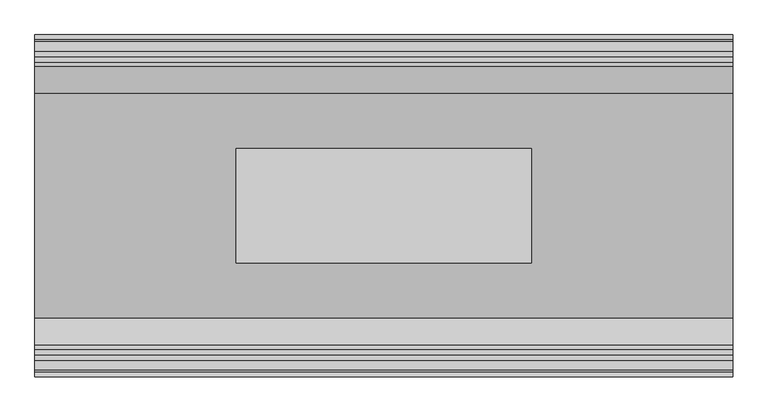
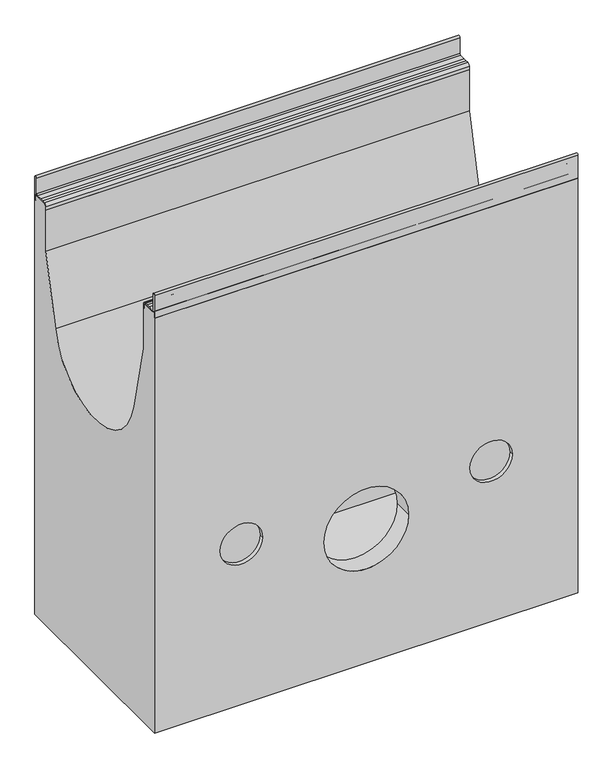
"""IFC4 building model written with IfcOpenShell, lengths in millimetres: proxy geometry."""

import ifcopenshell
import ifcopenshell.guid

model = None  # the IFC model being written
_history = None  # IfcOwnerHistory: only IFC2X3 demands one
_inside = {}  # id of a spatial element -> (the spatial element, [elements in it])
_under = {}  # id of a project, library or spatial element -> (it, [spatial elements below it])
_declared = {}  # id of a project -> (the project, [libraries it declares])
_typed = {}  # id of a type object -> (the type object, [elements of that type])
_made_of = {}  # id of a material, layer set ... -> (it, [elements and type objects made of it])


def new_model(schema):
    """Start an empty IFC model of exactly this schema.

    Asked for "IFC4X3", IfcOpenShell would pick the latest addendum, in which some entities
    have other attributes; the version numbers below select the first issue.
    IFC2X3 requires an IfcOwnerHistory on every rooted entity: one is made here for all.
    """
    global model, _history
    if schema == "IFC4X3":
        model = ifcopenshell.file(schema_version=(4, 3, 0, 0))
    else:
        model = ifcopenshell.file(schema=schema)
    _inside.clear()
    _under.clear()
    _declared.clear()
    _typed.clear()
    _made_of.clear()
    _history = None
    if model.schema == "IFC2X3":
        org = make("IfcOrganization", Name="unknown")
        user = make(
            "IfcPersonAndOrganization",
            ThePerson=make("IfcPerson", FamilyName="unknown"),
            TheOrganization=org,
        )
        app = make(
            "IfcApplication",
            ApplicationDeveloper=org,
            Version="unknown",
            ApplicationFullName="unknown",
            ApplicationIdentifier="unknown",
        )
        _history = make(
            "IfcOwnerHistory",
            OwningUser=user,
            OwningApplication=app,
            ChangeAction="ADDED",
            CreationDate=0,
        )
    return model


def make(cls, **values):
    """One entity of the class cls with the attributes given. An attribute that is None is left unset."""
    return model.create_entity(
        cls, **{name: value for name, value in values.items() if value is not None}
    )


def rooted(cls, **values):
    """An entity with a GlobalId (a new one), such as an element, a storey or a relation."""
    return make(cls, GlobalId=ifcopenshell.guid.new(), OwnerHistory=_history, **values)


def si_unit(unit_type, name, prefix=None):
    """IfcSIUnit, for example si_unit("LENGTHUNIT", "METRE", prefix="MILLI")."""
    return make("IfcSIUnit", UnitType=unit_type, Prefix=prefix, Name=name)


def assignment(units):
    """IfcUnitAssignment: the units of a project."""
    return None if units is None else make("IfcUnitAssignment", Units=units)


def point(xyz):
    """IfcCartesianPoint."""
    return None if xyz is None else make("IfcCartesianPoint", Coordinates=xyz)


def direction(xyz):
    """IfcDirection."""
    return None if xyz is None else make("IfcDirection", DirectionRatios=xyz)


def frame(location, z_axis=None, x_axis=None):
    """IfcAxis2Placement3D, a coordinate frame: its origin and axes. An axis left out is left unset."""
    return make(
        "IfcAxis2Placement3D",
        Location=point(location),
        Axis=direction(z_axis),
        RefDirection=direction(x_axis),
    )


def frame_2d(location, x_axis=None):
    """IfcAxis2Placement2D, a coordinate frame in the plane: its origin and x axis."""
    return make(
        "IfcAxis2Placement2D", Location=point(location), RefDirection=direction(x_axis)
    )


def origin():
    """The frame at (0, 0, 0) with its axes left unset."""
    return frame((0.0, 0.0, 0.0))


def place(relative_to, where):
    """IfcLocalPlacement: puts the frame where relative to a parent placement (None: the world)."""
    return make(
        "IfcLocalPlacement", PlacementRelTo=relative_to, RelativePlacement=where
    )


def context(
    kind, dimensions, precision=None, world=None, true_north=None, identifier=None
):
    """IfcGeometricRepresentationContext, for example the 3D "Model" context."""
    return make(
        "IfcGeometricRepresentationContext",
        ContextIdentifier=identifier,
        ContextType=kind,
        CoordinateSpaceDimension=dimensions,
        Precision=precision,
        WorldCoordinateSystem=world,
        TrueNorth=true_north,
    )


def project(units=None, contexts=None):
    """IfcProject with its units and contexts."""
    return rooted(
        "IfcProject",
        Name="project",
        RepresentationContexts=contexts,
        UnitsInContext=assignment(units),
    )


def spatial(cls, under=None, at=None, **own):
    """A site, building, storey or space (cls), placed at a placement, below another one or the project."""
    s = rooted(cls, ObjectPlacement=at, **own)
    if under is not None:
        _under.setdefault(under.id(), (under, []))[1].append(s)
    return s


def polyline(points):
    """IfcPolyline through the points."""
    return make("IfcPolyline", Points=[point(p) for p in points])


def circle_curve(where, radius):
    """IfcCircle in the frame where."""
    return make("IfcCircle", Position=where, Radius=radius)


def trimmed(basis, trim1, trim2, sense, master):
    """IfcTrimmedCurve: the piece of a basis curve between two trims."""
    return make(
        "IfcTrimmedCurve",
        BasisCurve=basis,
        Trim1=trim1,
        Trim2=trim2,
        SenseAgreement=sense,
        MasterRepresentation=master,
    )


def segment(curve, same_sense, transition):
    """IfcCompositeCurveSegment."""
    return make(
        "IfcCompositeCurveSegment",
        Transition=transition,
        SameSense=same_sense,
        ParentCurve=curve,
    )


def composite_curve(segments, self_intersect=None):
    """IfcCompositeCurve: segments joined end to end."""
    return make("IfcCompositeCurve", Segments=segments, SelfIntersect=self_intersect)


def outline(outer, holes=None, kind="AREA"):
    """IfcArbitraryClosedProfileDef: a profile drawn as a closed curve; with holes, ...WithVoids."""
    if holes is None:
        return make("IfcArbitraryClosedProfileDef", ProfileType=kind, OuterCurve=outer)
    return make(
        "IfcArbitraryProfileDefWithVoids",
        ProfileType=kind,
        OuterCurve=outer,
        InnerCurves=holes,
    )


def extrude(swept, where, along, depth):
    """IfcExtrudedAreaSolid: the profile swept, set in the frame where, extruded along a direction by depth."""
    return make(
        "IfcExtrudedAreaSolid",
        SweptArea=swept,
        Position=where,
        ExtrudedDirection=direction(along),
        Depth=depth,
    )


def shape(context_of_items, identifier, shape_type, items):
    """IfcShapeRepresentation: the items that make up one representation, for example the "Body"."""
    return make(
        "IfcShapeRepresentation",
        ContextOfItems=context_of_items,
        RepresentationIdentifier=identifier,
        RepresentationType=shape_type,
        Items=items,
    )


def source(mapping_origin, context_of_items, identifier, shape_type, items):
    """IfcRepresentationMap: a shape defined once, which mapped items show again and again."""
    return make(
        "IfcRepresentationMap",
        MappingOrigin=mapping_origin,
        MappedRepresentation=shape(context_of_items, identifier, shape_type, items),
    )


def transform(
    local_origin,
    x_axis=None,
    y_axis=None,
    z_axis=None,
    scale=None,
    scale2=None,
    scale3=None,
    uniform=True,
):
    """IfcCartesianTransformationOperator3D, or its non-uniform kind. x_axis, y_axis, z_axis: its Axis1, 2, 3."""
    if uniform:
        return make(
            "IfcCartesianTransformationOperator3D",
            Axis1=direction(x_axis),
            Axis2=direction(y_axis),
            LocalOrigin=point(local_origin),
            Scale=scale,
            Axis3=direction(z_axis),
        )
    return make(
        "IfcCartesianTransformationOperator3DnonUniform",
        Axis1=direction(x_axis),
        Axis2=direction(y_axis),
        LocalOrigin=point(local_origin),
        Scale=scale,
        Axis3=direction(z_axis),
        Scale2=scale2,
        Scale3=scale3,
    )


def mapped(mapping_source, mapping_target):
    """IfcMappedItem: shows the shape of a source again, moved by a transform."""
    return make(
        "IfcMappedItem", MappingSource=mapping_source, MappingTarget=mapping_target
    )


def made_of(thing, what):
    """Note that an element or type object is made of a material, layer set ...; save() writes the relation."""
    if what is not None:
        _made_of.setdefault(what.id(), (what, []))[1].append(thing)
    return thing


def element(
    cls,
    number,
    at=None,
    inside=None,
    cuts=None,
    type_object=None,
    material=None,
    context=None,
    identifier="Body",
    shape_type=None,
    held_by="IfcProductDefinitionShape",
    body=None,
    shapes=None,
    **own,
):
    """One element of the class cls, such as IfcWall. Its Tag is "e" and its number.

    at: its placement. inside: the storey or other place that contains it. cuts: it is an
    opening in that element (IfcRelVoidsElement). A single representation is given by context,
    identifier, shape_type and body (its items); several are given by shapes. held_by: the class
    of the entity that holds the representations. save() writes the other relations.
    """
    e = rooted(cls, Tag="e%d" % number, ObjectPlacement=at, **own)
    if body is not None:
        shapes = [shape(context, identifier, shape_type, body)]
    if shapes is not None:
        e.Representation = make(held_by, Representations=shapes)
    if inside is not None:
        _inside.setdefault(inside.id(), (inside, []))[1].append(e)
    if cuts is not None:
        rooted(
            "IfcRelVoidsElement", RelatingBuildingElement=cuts, RelatedOpeningElement=e
        )
    if type_object is not None:
        _typed.setdefault(type_object.id(), (type_object, []))[1].append(e)
    return made_of(e, material)


def aggregate(whole, parts):
    """IfcRelAggregates: a whole, such as a stair, and the parts it consists of."""
    return rooted("IfcRelAggregates", RelatingObject=whole, RelatedObjects=parts)


def save(model, path):
    """Write the relations noted so far, then the file.

    IfcRelAggregates (storeys below a building ...), IfcRelContainedInSpatialStructure (elements
    in a storey), IfcRelDefinesByType, IfcRelAssociatesMaterial and IfcRelDeclares: one each for
    every whole, place, type object, material and project.
    """
    for whole, parts in _under.values():
        aggregate(whole, parts)
    for where, things in _inside.values():
        rooted(
            "IfcRelContainedInSpatialStructure",
            RelatedElements=things,
            RelatingStructure=where,
        )
    for kind, things in _typed.values():
        rooted("IfcRelDefinesByType", RelatedObjects=things, RelatingType=kind)
    for what, things in _made_of.values():
        rooted("IfcRelAssociatesMaterial", RelatedObjects=things, RelatingMaterial=what)
    for by, libraries in _declared.values():
        rooted("IfcRelDeclares", RelatingContext=by, RelatedDefinitions=libraries)
    model.write(path)


def plane_surface(at):
    """IfcPlane: the flat surface through the origin of the frame at, square to its z axis."""
    return make("IfcPlane", Position=at)


def cylinder_surface(at, radius):
    """IfcCylindricalSurface: all points at the distance radius from the z axis of the frame at."""
    return make("IfcCylindricalSurface", Position=at, Radius=radius)


def revolved_surface(curve, axis_point, axis_direction):
    """IfcSurfaceOfRevolution: the curve turned about the line through axis_point along axis_direction."""
    return make(
        "IfcSurfaceOfRevolution",
        SweptCurve=make("IfcArbitraryOpenProfileDef", ProfileType="CURVE", Curve=curve),
        AxisPosition=make("IfcAxis1Placement", Location=point(axis_point), Axis=direction(axis_direction)),
    )


def advanced_brep(points, edges, surfaces, faces):
    """IfcAdvancedBrep: a solid bounded by faces that lie on surfaces and meet in shared edges.

    An edge is (start, end): straight between two places in points (the first is 0);
    or (start, end, curve); or (start, end, curve, False) where it runs against its curve.
    A face is (place in surfaces, loops), or (place, loops, False) where it looks against
    its surface's normal. A loop lists edges by number (the first is 1), with a minus sign
    where the edge is run from its end to its start. The first loop is the outer one.
    """
    corners = [point(p) for p in points]
    vertices = [make("IfcVertexPoint", VertexGeometry=c) for c in corners]
    made = []
    for start, end, *more in edges:
        made.append(
            make(
                "IfcEdgeCurve",
                EdgeStart=vertices[start],
                EdgeEnd=vertices[end],
                EdgeGeometry=more[0] if more else make("IfcPolyline", Points=[corners[start], corners[end]]),
                SameSense=more[1] if len(more) > 1 else True,
            )
        )
    hull = []
    for where, loops, *sense in faces:
        bounds = []
        for j, loop in enumerate(loops):
            ring = [make("IfcOrientedEdge", EdgeElement=made[abs(k) - 1], Orientation=k > 0) for k in loop]
            bounds.append(
                make(
                    "IfcFaceOuterBound" if j == 0 else "IfcFaceBound",
                    Bound=make("IfcEdgeLoop", EdgeList=ring),
                    Orientation=True,
                )
            )
        hull.append(make("IfcAdvancedFace", Bounds=bounds, FaceSurface=surfaces[where], SameSense=sense[0] if sense else True))
    return make("IfcAdvancedBrep", Outer=make("IfcClosedShell", CfsFaces=hull))


def generic_models_2dc7a62d(model_context):
    return source(origin(), model_context, "Body", "SolidModel", [
        advanced_brep(
        [(500.0, 245.0, -1095.0), (500.0, 245.0, -60.0409124), (500.0, 241.9621547, -60.0409124), (500.0, 241.9621547, -45.4121775), (500.0, 240.5838153, -45.4121775), (500.0, 235.5826794, -48.0378453), (500.0, 206.0756907, -48.0378453), (500.0, 202.9900031, -51.1235329), (500.0, 202.9900031, -60.011934), (500.0, 200.0, -60.011934), (500.0, 200.0, -162.0), (500.0, 160.7805127, -332.075959), (500.0, -160.7805127, -332.075959), (500.0, -200.0, -162.0), (500.0, -200.0, -60.011934), (500.0, -202.9900031, -60.011934), (500.0, -202.9900031, -51.1235329), (500.0, -206.0756907, -48.0378453), (500.0, -235.5826794, -48.0378453), (500.0, -240.5838153, -45.4121775), (500.0, -241.9621547, -45.4121775), (500.0, -241.9621547, -60.0409124), (500.0, -245.0, -60.0409124), (500.0, -245.0, -1095.0), (-500.0, 245.0, -1095.0), (-500.0, -245.0, -1095.0), (-500.0, -245.0, -60.0409124), (-500.0, -241.9621547, -60.0409124), (-500.0, -241.9621547, -45.4121775), (-500.0, -240.5838153, -45.4121775), (-500.0, -235.5826794, -48.0378453), (-500.0, -206.0756907, -48.0378453), (-500.0, -202.9900031, -51.1235329), (-500.0, -202.9900031, -60.011934), (-500.0, -200.0, -60.011934), (-500.0, -200.0, -162.0), (-500.0, -160.7805127, -332.075959), (-500.0, 160.7805127, -332.075959), (-500.0, 200.0, -162.0), (-500.0, 200.0, -60.011934), (-500.0, 202.9900031, -60.011934), (-500.0, 202.9900031, -51.1235329), (-500.0, 206.0756907, -48.0378453), (-500.0, 235.5826794, -48.0378453), (-500.0, 240.5838153, -45.4121775), (-500.0, 241.9621547, -45.4121775), (-500.0, 241.9621547, -60.0409124), (-500.0, 245.0, -60.0409124), (245.0, 245.0, -695.0), (345.0, 245.0, -695.0), (-245.0, 245.0, -695.0), (-345.0, 245.0, -695.0), (-100.0, -245.0, -760.0), (100.0, -245.0, -760.0), (100.0, -200.0, -760.0), (-100.0, -200.0, -760.0), (-212.5, 82.5, -437.8941916), (212.5, 82.5, -437.8941916), (212.5, -82.5, -437.8941916), (-212.5, -82.5, -437.8941916), (212.5, 82.5, -590.5698316), (-212.5, 82.5, -590.5698316), (-212.5, -82.5, -590.5698316), (212.5, -82.5, -590.5698316), (345.0, -245.0, -695.0), (245.0, -245.0, -695.0), (-345.0, -245.0, -695.0), (-245.0, -245.0, -695.0), (478.0, 200.0, -1055.0), (-478.0, 200.0, -1055.0), (-478.0, -200.0, -1055.0), (478.0, -200.0, -1055.0), (478.0, 200.0, -590.5698316), (478.0, -200.0, -590.5698316), (-478.0, -200.0, -590.5698316), (-478.0, 200.0, -590.5698316), (245.0, -235.0, -695.0), (345.0, -235.0, -695.0), (-245.0, -235.0, -695.0), (-345.0, -235.0, -695.0), (245.0, 235.0, -695.0), (345.0, 235.0, -695.0), (-245.0, 235.0, -695.0), (-345.0, 235.0, -695.0)],
        [
            (0, 1),
            (1, 2),
            (2, 3),
            (3, 4),
            (4, 5, circle_curve(frame((500.0, 235.5826794, -41.9621547), z_axis=(-1.0, 0.0, 0.0), x_axis=(0.0, 1.0, 0.0)), 6.0756907)),
            (5, 6),
            (6, 7, circle_curve(frame((500.0, 206.0756907, -51.1235329), z_axis=(1.0, 0.0, 0.0), x_axis=(0.0, 1.0, 0.0)), 3.0856876)),
            (7, 8),
            (8, 9),
            (9, 10),
            (10, 11),
            (11, 12, circle_curve(frame((500.0, 0.0, -295.0), z_axis=(-1.0, 0.0, 0.0), x_axis=(0.0, 1.0, 0.0)), 165.0)),
            (12, 13),
            (13, 14),
            (14, 15),
            (15, 16),
            (16, 17, circle_curve(frame((500.0, -206.0756907, -51.1235329), z_axis=(1.0, 0.0, 0.0), x_axis=(0.0, 1.0, 0.0)), 3.0856876)),
            (17, 18),
            (18, 19, circle_curve(frame((500.0, -235.5826794, -41.9621547), z_axis=(-1.0, 0.0, 0.0), x_axis=(0.0, 1.0, 0.0)), 6.0756907)),
            (19, 20),
            (20, 21),
            (21, 22),
            (22, 23),
            (23, 0),
            (24, 25),
            (25, 26),
            (26, 27),
            (27, 28),
            (28, 29),
            (29, 30, circle_curve(frame((-500.0, -235.5826794, -41.9621547), z_axis=(1.0, 0.0, 0.0), x_axis=(0.0, 1.0, 0.0)), 6.0756907)),
            (30, 31),
            (31, 32, circle_curve(frame((-500.0, -206.0756907, -51.1235329), z_axis=(-1.0, 0.0, 0.0), x_axis=(0.0, 1.0, 0.0)), 3.0856876)),
            (32, 33),
            (33, 34),
            (34, 35),
            (35, 36),
            (36, 37, circle_curve(frame((-500.0, 0.0, -295.0), z_axis=(1.0, 0.0, 0.0), x_axis=(0.0, 1.0, 0.0)), 165.0)),
            (37, 38),
            (38, 39),
            (39, 40),
            (40, 41),
            (41, 42, circle_curve(frame((-500.0, 206.0756907, -51.1235329), z_axis=(-1.0, 0.0, 0.0), x_axis=(0.0, 1.0, 0.0)), 3.0856876)),
            (42, 43),
            (43, 44, circle_curve(frame((-500.0, 235.5826794, -41.9621547), z_axis=(1.0, 0.0, 0.0), x_axis=(0.0, 1.0, 0.0)), 6.0756907)),
            (44, 45),
            (45, 46),
            (46, 47),
            (47, 24),
            (0, 24),
            (47, 1),
            (48, 49, circle_curve(frame((295.0, 245.0, -695.0), z_axis=(0.0, -1.0, 0.0), x_axis=(1.0, 0.0, 0.0)), 50.0)),
            (49, 48, circle_curve(frame((295.0, 245.0, -695.0), z_axis=(0.0, -1.0, 0.0), x_axis=(1.0, 0.0, 0.0)), 50.0)),
            (50, 51, circle_curve(frame((-295.0, 245.0, -695.0), z_axis=(0.0, -1.0, 0.0), x_axis=(-1.0, 0.0, 0.0)), 50.0)),
            (51, 50, circle_curve(frame((-295.0, 245.0, -695.0), z_axis=(0.0, -1.0, 0.0), x_axis=(-1.0, 0.0, 0.0)), 50.0)),
            (9, 39),
            (38, 10),
            (23, 25),
            (13, 35),
            (34, 14),
            (52, 53, circle_curve(frame((0.0, -245.0, -760.0), z_axis=(0.0, -1.0, 0.0), x_axis=(1.0, 0.0, 0.0)), 100.0)),
            (53, 54),
            (54, 55, circle_curve(frame((0.0, -200.0, -760.0), z_axis=(0.0, 1.0, 0.0), x_axis=(1.0, 0.0, 0.0)), 100.0)),
            (55, 52),
            (53, 52, circle_curve(frame((0.0, -245.0, -760.0), z_axis=(0.0, -1.0, 0.0), x_axis=(1.0, 0.0, 0.0)), 100.0)),
            (55, 54, circle_curve(frame((0.0, -200.0, -760.0), z_axis=(0.0, 1.0, 0.0), x_axis=(1.0, 0.0, 0.0)), 100.0)),
            (46, 2),
            (45, 3),
            (44, 4),
            (43, 5),
            (42, 6),
            (41, 7),
            (40, 8),
            (11, 37),
            (36, 12),
            (56, 57),
            (57, 58, circle_curve(frame((212.5, 0.0, -295.0), z_axis=(-1.0, 0.0, 0.0), x_axis=(0.0, 1.0, 0.0)), 165.0)),
            (58, 59),
            (59, 56, circle_curve(frame((-212.5, 0.0, -295.0), z_axis=(1.0, 0.0, 0.0), x_axis=(0.0, 1.0, 0.0)), 165.0)),
            (33, 15),
            (32, 16),
            (31, 17),
            (30, 18),
            (29, 19),
            (28, 20),
            (27, 21),
            (60, 57),
            (56, 61),
            (61, 60),
            (59, 62),
            (62, 61),
            (58, 63),
            (63, 62),
            (60, 63),
            (26, 22),
            (64, 65, circle_curve(frame((295.0, -245.0, -695.0), z_axis=(0.0, 1.0, 0.0), x_axis=(1.0, 0.0, 0.0)), 50.0)),
            (65, 64, circle_curve(frame((295.0, -245.0, -695.0), z_axis=(0.0, 1.0, 0.0), x_axis=(1.0, 0.0, 0.0)), 50.0)),
            (66, 67, circle_curve(frame((-295.0, -245.0, -695.0), z_axis=(0.0, 1.0, 0.0), x_axis=(-1.0, 0.0, 0.0)), 50.0)),
            (67, 66, circle_curve(frame((-295.0, -245.0, -695.0), z_axis=(0.0, 1.0, 0.0), x_axis=(-1.0, 0.0, 0.0)), 50.0)),
            (68, 69),
            (69, 70),
            (70, 71),
            (71, 68),
            (72, 73),
            (73, 74),
            (74, 75),
            (75, 72),
            (68, 72),
            (75, 69),
            (74, 70),
            (73, 71),
            (76, 77, circle_curve(frame((295.0, -235.0, -695.0), z_axis=(0.0, -1.0, 0.0), x_axis=(1.0, 0.0, 0.0)), 50.0)),
            (77, 76, circle_curve(frame((295.0, -235.0, -695.0), z_axis=(0.0, -1.0, 0.0), x_axis=(1.0, 0.0, 0.0)), 50.0)),
            (78, 79, circle_curve(frame((-295.0, -235.0, -695.0), z_axis=(0.0, -1.0, 0.0), x_axis=(-1.0, 0.0, 0.0)), 50.0)),
            (79, 78, circle_curve(frame((-295.0, -235.0, -695.0), z_axis=(0.0, -1.0, 0.0), x_axis=(-1.0, 0.0, 0.0)), 50.0)),
            (76, 65),
            (64, 77),
            (78, 67),
            (66, 79),
            (80, 81, circle_curve(frame((295.0, 235.0, -695.0), z_axis=(0.0, 1.0, 0.0), x_axis=(1.0, 0.0, 0.0)), 50.0)),
            (81, 80, circle_curve(frame((295.0, 235.0, -695.0), z_axis=(0.0, 1.0, 0.0), x_axis=(1.0, 0.0, 0.0)), 50.0)),
            (82, 83, circle_curve(frame((-295.0, 235.0, -695.0), z_axis=(0.0, 1.0, 0.0), x_axis=(-1.0, 0.0, 0.0)), 50.0)),
            (83, 82, circle_curve(frame((-295.0, 235.0, -695.0), z_axis=(0.0, 1.0, 0.0), x_axis=(-1.0, 0.0, 0.0)), 50.0)),
            (81, 49),
            (48, 80),
            (83, 51),
            (50, 82),
        ],
        [
            plane_surface(frame((500.0, 245.0, -31.1821489), z_axis=(1.0, 0.0, 0.0), x_axis=(0.0, 0.0, 1.0))),
            plane_surface(frame((-500.0, 245.0, -31.1821489), z_axis=(-1.0, 0.0, 0.0), x_axis=(0.0, 0.0, -1.0))),
            plane_surface(frame((500.0, 245.0, -1095.0), z_axis=(0.0, 1.0, 0.0), x_axis=(-1.0, 0.0, 0.0))),
            plane_surface(frame((500.0, 200.0, -60.011934), z_axis=(0.0, -1.0, 0.0), x_axis=(-1.0, 0.0, 0.0))),
            plane_surface(frame((500.0, -245.0, -1095.0), z_axis=(0.0, 0.0, -1.0), x_axis=(-1.0, 0.0, 0.0))),
            plane_surface(frame((500.0, -200.0, -162.0), z_axis=(0.0, 1.0, 0.0), x_axis=(-1.0, 0.0, 0.0))),
            revolved_surface(polyline([(100.0, -245.0, -760.0), (100.0, -200.0, -760.0)]), (0.0, 0.0, -760.0), (0.0, -1.0, 0.0)),
            plane_surface(frame((500.0, 245.0, -60.0409124), z_axis=(0.0, 0.0, 1.0), x_axis=(-1.0, 0.0, 0.0))),
            plane_surface(frame((500.0, 241.9621547, -60.0409124), z_axis=(0.0, 1.0, 0.0), x_axis=(-1.0, 0.0, 0.0))),
            plane_surface(frame((500.0, 241.9621547, -45.4121775), z_axis=(0.0, 0.0, 1.0), x_axis=(-1.0, 0.0, 0.0))),
            revolved_surface(polyline([(-500.0, 241.65837009999998, -41.9621547), (500.0, 241.65837009999998, -41.9621547)]), (-500.0, 235.5826794, -41.9621547), (-1.0, 0.0, 0.0)),
            plane_surface(frame((500.0, 235.5826794, -48.0378453), z_axis=(0.0, 0.0, 1.0), x_axis=(-1.0, 0.0, 0.0))),
            cylinder_surface(frame((-500.0, 206.0756907, -51.1235329), z_axis=(1.0, 0.0, 0.0), x_axis=(0.0, 1.0, 0.0)), 3.0856876),
            plane_surface(frame((500.0, 202.9900031, -51.1235329), z_axis=(0.0, -1.0, 0.0), x_axis=(-1.0, 0.0, 0.0))),
            plane_surface(frame((500.0, 202.9900031, -60.011934), z_axis=(0.0, 0.0, 1.0), x_axis=(-1.0, 0.0, 0.0))),
            revolved_surface(polyline([(-500.0, 165.0, -295.0), (500.0, 165.0, -295.0)]), (-500.0, 0.0, -295.0), (-1.0, 0.0, 0.0)),
            plane_surface(frame((500.0, -200.0, -60.011934), z_axis=(0.0, 0.0, 1.0), x_axis=(-1.0, 0.0, 0.0))),
            plane_surface(frame((500.0, -202.9900031, -60.011934), z_axis=(0.0, 1.0, 0.0), x_axis=(-1.0, 0.0, 0.0))),
            cylinder_surface(frame((-500.0, -206.0756907, -51.1235329), z_axis=(1.0, 0.0, 0.0), x_axis=(0.0, 1.0, 0.0)), 3.0856876),
            plane_surface(frame((500.0, -206.0756907, -48.0378453), z_axis=(0.0, 0.0, 1.0), x_axis=(-1.0, 0.0, 0.0))),
            revolved_surface(polyline([(-500.0, -229.5069887, -41.9621547), (500.0, -229.5069887, -41.9621547)]), (-500.0, -235.5826794, -41.9621547), (-1.0, 0.0, 0.0)),
            plane_surface(frame((500.0, -240.5838153, -45.4121775), z_axis=(0.0, 0.0, 1.0), x_axis=(-1.0, 0.0, 0.0))),
            plane_surface(frame((500.0, -241.9621547, -45.4121775), z_axis=(0.0, -1.0, 0.0), x_axis=(-1.0, 0.0, 0.0))),
            plane_surface(frame((212.5, 82.5, -304.8), z_axis=(0.0, -1.0, 0.0), x_axis=(0.0, 0.0, -1.0))),
            plane_surface(frame((-212.5, 82.5, -304.8), z_axis=(1.0, 0.0, 0.0), x_axis=(0.0, 0.0, -1.0))),
            plane_surface(frame((-212.5, -82.5, -304.8), z_axis=(0.0, 1.0, 0.0), x_axis=(0.0, 0.0, -1.0))),
            plane_surface(frame((212.5, -82.5, -304.8), z_axis=(-1.0, 0.0, 0.0), x_axis=(0.0, 0.0, -1.0))),
            plane_surface(frame((500.0, 200.0, -162.0), z_axis=(0.0, -0.9744273497537628, 0.22470278158460372), x_axis=(-1.0, 0.0, 0.0))),
            plane_surface(frame((500.0, -160.7805127, -332.075959), z_axis=(0.0, 0.974427349753763, 0.22470278158460258), x_axis=(-1.0, 0.0, 0.0))),
            plane_surface(frame((500.0, -241.9621547, -60.0409124), z_axis=(0.0, 0.0, 1.0), x_axis=(-1.0, 0.0, 0.0))),
            plane_surface(frame((500.0, -245.0, -60.0409124), z_axis=(0.0, -1.0, 0.0), x_axis=(-1.0, 0.0, 0.0))),
            plane_surface(frame((-43.5, 200.0, -1055.0), z_axis=(0.0, 0.0, 1.0), x_axis=(1.0, 0.0, 0.0))),
            plane_surface(frame((-43.5, 200.0, -590.5698316), z_axis=(0.0, 0.0, -1.0), x_axis=(-1.0, 0.0, 0.0))),
            plane_surface(frame((478.0, 200.0, -590.5698316), z_axis=(0.0, -1.0, 0.0), x_axis=(0.0, 0.0, -1.0))),
            plane_surface(frame((-478.0, 200.0, -590.5698316), z_axis=(1.0, 0.0, 0.0), x_axis=(0.0, 0.0, -1.0))),
            plane_surface(frame((-478.0, -200.0, -590.5698316), z_axis=(0.0, 1.0, 0.0), x_axis=(0.0, 0.0, -1.0))),
            plane_surface(frame((478.0, -200.0, -590.5698316), z_axis=(-1.0, 0.0, 0.0), x_axis=(0.0, 0.0, -1.0))),
            plane_surface(frame((345.0, -235.0, -695.0), z_axis=(0.0, -1.0, 0.0), x_axis=(0.0, 0.0, -1.0))),
            revolved_surface(polyline([(345.0, -245.0, -695.0), (345.0, -235.0, -695.0)]), (295.0, -235.0, -695.0), (0.0, -1.0, 0.0)),
            revolved_surface(polyline([(-345.0, -245.0, -695.0), (-345.0, -235.0, -695.0)]), (-295.0, 0.0, -695.0), (0.0, -1.0, 0.0)),
            plane_surface(frame((345.0, 235.0, -695.0), z_axis=(0.0, 1.0, 0.0), x_axis=(0.0, 0.0, 1.0))),
            revolved_surface(polyline([(345.0, 235.0, -695.0), (345.0, 245.0, -695.0)]), (295.0, 245.0, -695.0), (0.0, -1.0, 0.0)),
            revolved_surface(polyline([(-345.0, 235.0, -695.0), (-345.0, 245.0, -695.0)]), (-295.0, 0.0, -695.0), (0.0, -1.0, 0.0)),
        ],
        [
            (0, [[1, 2, 3, 4, 5, 6, 7, 8, 9, 10, 11, 12, 13, 14, 15, 16, 17, 18, 19, 20, 21, 22, 23, 24]]),
            (1, [[25, 26, 27, 28, 29, 30, 31, 32, 33, 34, 35, 36, 37, 38, 39, 40, 41, 42, 43, 44, 45, 46, 47, 48]]),
            (2, [[-1, 49, -48, 50], [51, 52], [53, 54]]),
            (3, [[-10, 55, -39, 56]]),
            (4, [[-24, 57, -25, -49]]),
            (5, [[-14, 58, -35, 59]]),
            (6, [[60, 61, 62, 63]]),
            (6, [[64, -63, 65, -61]]),
            (7, [[-2, -50, -47, 66]]),
            (8, [[-3, -66, -46, 67]]),
            (9, [[-4, -67, -45, 68]]),
            (10, [[-5, -68, -44, 69]]),
            (11, [[-6, -69, -43, 70]]),
            (12, [[-7, -70, -42, 71]]),
            (13, [[-8, -71, -41, 72]]),
            (14, [[-9, -72, -40, -55]]),
            (15, [[-12, 73, -37, 74], [75, 76, 77, 78]]),
            (16, [[-15, -59, -34, 79]]),
            (17, [[-16, -79, -33, 80]]),
            (18, [[-17, -80, -32, 81]]),
            (19, [[-18, -81, -31, 82]]),
            (20, [[-19, -82, -30, 83]]),
            (21, [[-20, -83, -29, 84]]),
            (22, [[-21, -84, -28, 85]]),
            (23, [[86, -75, 87, 88]]),
            (24, [[-87, -78, 89, 90]]),
            (25, [[-89, -77, 91, 92]]),
            (26, [[-86, 93, -91, -76]]),
            (27, [[-11, -56, -38, -73]]),
            (28, [[-13, -74, -36, -58]]),
            (29, [[-22, -85, -27, 94]]),
            (30, [[-23, -94, -26, -57], [-60, -64], [95, 96], [97, 98]]),
            (31, [[99, 100, 101, 102]]),
            (32, [[103, 104, 105, 106], [-88, -90, -92, -93]]),
            (33, [[-99, 107, -106, 108]]),
            (34, [[-100, -108, -105, 109]]),
            (35, [[-101, -109, -104, 110], [-62, -65]]),
            (36, [[-102, -110, -103, -107]]),
            (37, [[111, 112]]),
            (37, [[113, 114]]),
            (38, [[-111, 115, -95, 116]]),
            (38, [[-112, -116, -96, -115]]),
            (39, [[-113, 117, -97, 118]]),
            (39, [[-114, -118, -98, -117]]),
            (40, [[119, 120]]),
            (40, [[121, 122]]),
            (41, [[-120, 123, -51, 124]]),
            (41, [[-119, -124, -52, -123]]),
            (42, [[-122, 125, -53, 126]]),
            (42, [[-121, -126, -54, -125]]),
        ],
    ),
        extrude(outline(composite_curve([segment(trimmed(circle_curve(frame_2d((-241.8102624, -3.1897376)), 3.1897376), [point((-245.0, -3.1897376))], [point((-238.6205248, -3.1897376))], False, "CARTESIAN"), True, "CONTINUOUS"), segment(polyline([(-238.6205248, -3.1897376), (-238.6205248, -41.9621547)]), True, "CONTINUOUS"), segment(trimmed(circle_curve(frame_2d((-235.5826794, -41.9621547)), 3.0378453), [point((-238.6205248, -41.9621547))], [point((-235.5826794, -45.0))], True, "CARTESIAN"), True, "CONTINUOUS"), segment(polyline([(-235.5826794, -45.0), (-221.4566985, -45.0), (-213.8620852, -45.0), (-206.0756907, -45.0)]), True, "CONTINUOUS"), segment(trimmed(circle_curve(frame_2d((-206.0756907, -51.0756907)), 6.0756907), [point((-206.0756907, -45.0))], [point((-200.0, -51.0756907))], False, "CARTESIAN"), True, "CONTINUOUS"), segment(polyline([(-200.0, -51.0756907), (-200.0, -60.011934), (-202.9900031, -60.011934), (-202.9900031, -51.1235329)]), True, "CONTINUOUS"), segment(trimmed(circle_curve(frame_2d((-206.0756907, -51.1235329)), 3.0856876), [point((-202.9900031, -51.1235329))], [point((-206.0756907, -48.0378453))], True, "CARTESIAN"), True, "CONTINUOUS"), segment(polyline([(-206.0756907, -48.0378453), (-235.5826794, -48.0378453)]), True, "CONTINUOUS"), segment(trimmed(circle_curve(frame_2d((-235.5826794, -41.9621547)), 6.0756907), [point((-235.5826794, -48.0378453))], [point((-240.5838153, -45.4121775))], False, "CARTESIAN"), True, "CONTINUOUS"), segment(polyline([(-240.5838153, -45.4121775), (-241.9621547, -45.4121775), (-241.9621547, -60.0409124), (-245.0, -60.0409124), (-245.0, -3.1897376)]), True, "CONTINUOUS")], self_intersect=False)), frame((-500.0, 0.0, 0.0), z_axis=(1.0, 0.0, 0.0), x_axis=(0.0, 1.0, 0.0)), (0.0, 0.0, 1.0), 1000.0),
        extrude(outline(composite_curve([segment(polyline([(245.0, -3.1897376), (245.0, -60.0409124), (241.9621547, -60.0409124), (241.9621547, -45.4121775), (240.5838153, -45.4121775)]), True, "CONTINUOUS"), segment(trimmed(circle_curve(frame_2d((235.5826794, -41.9621547)), 6.0756907), [point((240.5838153, -45.4121775))], [point((235.5826794, -48.0378453))], False, "CARTESIAN"), True, "CONTINUOUS"), segment(polyline([(235.5826794, -48.0378453), (206.0756907, -48.0378453)]), True, "CONTINUOUS"), segment(trimmed(circle_curve(frame_2d((206.0756907, -51.1235329)), 3.0856876), [point((206.0756907, -48.0378453))], [point((202.9900031, -51.1235329))], True, "CARTESIAN"), True, "CONTINUOUS"), segment(polyline([(202.9900031, -51.1235329), (202.9900031, -60.011934), (200.0, -60.011934), (200.0, -51.0756907)]), True, "CONTINUOUS"), segment(trimmed(circle_curve(frame_2d((206.0756907, -51.0756907)), 6.0756907), [point((200.0, -51.0756907))], [point((206.0756907, -45.0))], False, "CARTESIAN"), True, "CONTINUOUS"), segment(polyline([(206.0756907, -45.0), (213.8620852, -45.0), (221.4566985, -45.0), (235.5826794, -45.0)]), True, "CONTINUOUS"), segment(trimmed(circle_curve(frame_2d((235.5826794, -41.9621547)), 3.0378453), [point((235.5826794, -45.0))], [point((238.6205248, -41.9621547))], True, "CARTESIAN"), True, "CONTINUOUS"), segment(polyline([(238.6205248, -41.9621547), (238.6205248, -3.1897376)]), True, "CONTINUOUS"), segment(trimmed(circle_curve(frame_2d((241.8102624, -3.1897376)), 3.1897376), [point((238.6205248, -3.1897376))], [point((245.0, -3.1897376))], False, "CARTESIAN"), True, "CONTINUOUS")], self_intersect=False)), frame((-500.0, 0.0, 0.0), z_axis=(1.0, 0.0, 0.0), x_axis=(0.0, 1.0, 0.0)), (0.0, 0.0, 1.0), 1000.0),
    ])


if __name__ == "__main__":
    model = new_model("IFC4")
    model_context = context("Model", 3, world=origin())
    ifc_project = project(units=[si_unit("LENGTHUNIT", "METRE", prefix="MILLI")], contexts=[model_context])
    site = spatial("IfcSite", under=ifc_project)
    building = spatial("IfcBuilding", under=site)
    placement = place(None, origin())
    generic_models_shape = generic_models_2dc7a62d(model_context)
    element("IfcBuildingElementProxy", 1, Name="Generic Models", at=placement, inside=building, context=model_context, shape_type="MappedRepresentation", body=[
        mapped(generic_models_shape, transform((0.0, 0.0, 0.0), x_axis=(1.0, 0.0, 0.0), y_axis=(0.0, 1.0, 0.0), z_axis=(0.0, 0.0, 1.0))),
    ])
    save(model, "model.ifc")
